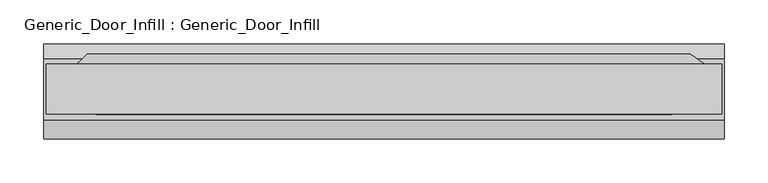
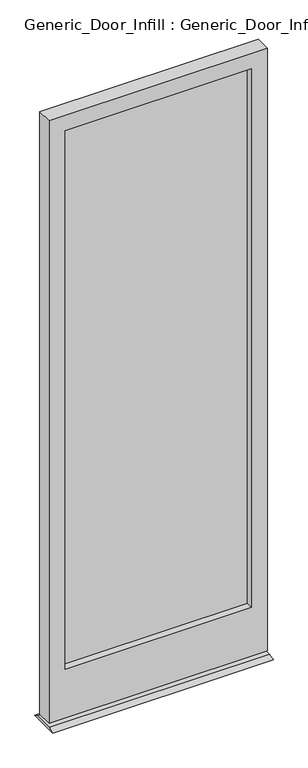
"""IFC4 building model written with IfcOpenShell, lengths in millimetres: plate geometry, Generic_Door_Infill : Generic_Door_Infill."""

import ifcopenshell
import ifcopenshell.guid

model = None  # the IFC model being written
_history = None  # IfcOwnerHistory: only IFC2X3 demands one
_inside = {}  # id of a spatial element -> (the spatial element, [elements in it])
_under = {}  # id of a project, library or spatial element -> (it, [spatial elements below it])
_declared = {}  # id of a project -> (the project, [libraries it declares])
_typed = {}  # id of a type object -> (the type object, [elements of that type])
_made_of = {}  # id of a material, layer set ... -> (it, [elements and type objects made of it])


def new_model(schema):
    """Start an empty IFC model of exactly this schema.

    Asked for "IFC4X3", IfcOpenShell would pick the latest addendum, in which some entities
    have other attributes; the version numbers below select the first issue.
    IFC2X3 requires an IfcOwnerHistory on every rooted entity: one is made here for all.
    """
    global model, _history
    if schema == "IFC4X3":
        model = ifcopenshell.file(schema_version=(4, 3, 0, 0))
    else:
        model = ifcopenshell.file(schema=schema)
    _inside.clear()
    _under.clear()
    _declared.clear()
    _typed.clear()
    _made_of.clear()
    _history = None
    if model.schema == "IFC2X3":
        org = make("IfcOrganization", Name="unknown")
        user = make(
            "IfcPersonAndOrganization",
            ThePerson=make("IfcPerson", FamilyName="unknown"),
            TheOrganization=org,
        )
        app = make(
            "IfcApplication",
            ApplicationDeveloper=org,
            Version="unknown",
            ApplicationFullName="unknown",
            ApplicationIdentifier="unknown",
        )
        _history = make(
            "IfcOwnerHistory",
            OwningUser=user,
            OwningApplication=app,
            ChangeAction="ADDED",
            CreationDate=0,
        )
    return model


def make(cls, **values):
    """One entity of the class cls with the attributes given. An attribute that is None is left unset."""
    return model.create_entity(
        cls, **{name: value for name, value in values.items() if value is not None}
    )


def rooted(cls, **values):
    """An entity with a GlobalId (a new one), such as an element, a storey or a relation."""
    return make(cls, GlobalId=ifcopenshell.guid.new(), OwnerHistory=_history, **values)


def si_unit(unit_type, name, prefix=None):
    """IfcSIUnit, for example si_unit("LENGTHUNIT", "METRE", prefix="MILLI")."""
    return make("IfcSIUnit", UnitType=unit_type, Prefix=prefix, Name=name)


def assignment(units):
    """IfcUnitAssignment: the units of a project."""
    return None if units is None else make("IfcUnitAssignment", Units=units)


def point(xyz):
    """IfcCartesianPoint."""
    return None if xyz is None else make("IfcCartesianPoint", Coordinates=xyz)


def direction(xyz):
    """IfcDirection."""
    return None if xyz is None else make("IfcDirection", DirectionRatios=xyz)


def frame(location, z_axis=None, x_axis=None):
    """IfcAxis2Placement3D, a coordinate frame: its origin and axes. An axis left out is left unset."""
    return make(
        "IfcAxis2Placement3D",
        Location=point(location),
        Axis=direction(z_axis),
        RefDirection=direction(x_axis),
    )


def origin():
    """The frame at (0, 0, 0) with its axes left unset."""
    return frame((0.0, 0.0, 0.0))


def place(relative_to, where):
    """IfcLocalPlacement: puts the frame where relative to a parent placement (None: the world)."""
    return make(
        "IfcLocalPlacement", PlacementRelTo=relative_to, RelativePlacement=where
    )


def context(
    kind, dimensions, precision=None, world=None, true_north=None, identifier=None
):
    """IfcGeometricRepresentationContext, for example the 3D "Model" context."""
    return make(
        "IfcGeometricRepresentationContext",
        ContextIdentifier=identifier,
        ContextType=kind,
        CoordinateSpaceDimension=dimensions,
        Precision=precision,
        WorldCoordinateSystem=world,
        TrueNorth=true_north,
    )


def project(units=None, contexts=None):
    """IfcProject with its units and contexts."""
    return rooted(
        "IfcProject",
        Name="project",
        RepresentationContexts=contexts,
        UnitsInContext=assignment(units),
    )


def spatial(cls, under=None, at=None, **own):
    """A site, building, storey or space (cls), placed at a placement, below another one or the project."""
    s = rooted(cls, ObjectPlacement=at, **own)
    if under is not None:
        _under.setdefault(under.id(), (under, []))[1].append(s)
    return s


def polyline(points):
    """IfcPolyline through the points."""
    return make("IfcPolyline", Points=[point(p) for p in points])


def outline(outer, holes=None, kind="AREA"):
    """IfcArbitraryClosedProfileDef: a profile drawn as a closed curve; with holes, ...WithVoids."""
    if holes is None:
        return make("IfcArbitraryClosedProfileDef", ProfileType=kind, OuterCurve=outer)
    return make(
        "IfcArbitraryProfileDefWithVoids",
        ProfileType=kind,
        OuterCurve=outer,
        InnerCurves=holes,
    )


def extrude(swept, where, along, depth):
    """IfcExtrudedAreaSolid: the profile swept, set in the frame where, extruded along a direction by depth."""
    return make(
        "IfcExtrudedAreaSolid",
        SweptArea=swept,
        Position=where,
        ExtrudedDirection=direction(along),
        Depth=depth,
    )


def shape(context_of_items, identifier, shape_type, items):
    """IfcShapeRepresentation: the items that make up one representation, for example the "Body"."""
    return make(
        "IfcShapeRepresentation",
        ContextOfItems=context_of_items,
        RepresentationIdentifier=identifier,
        RepresentationType=shape_type,
        Items=items,
    )


def source(mapping_origin, context_of_items, identifier, shape_type, items):
    """IfcRepresentationMap: a shape defined once, which mapped items show again and again."""
    return make(
        "IfcRepresentationMap",
        MappingOrigin=mapping_origin,
        MappedRepresentation=shape(context_of_items, identifier, shape_type, items),
    )


def transform(
    local_origin,
    x_axis=None,
    y_axis=None,
    z_axis=None,
    scale=None,
    scale2=None,
    scale3=None,
    uniform=True,
):
    """IfcCartesianTransformationOperator3D, or its non-uniform kind. x_axis, y_axis, z_axis: its Axis1, 2, 3."""
    if uniform:
        return make(
            "IfcCartesianTransformationOperator3D",
            Axis1=direction(x_axis),
            Axis2=direction(y_axis),
            LocalOrigin=point(local_origin),
            Scale=scale,
            Axis3=direction(z_axis),
        )
    return make(
        "IfcCartesianTransformationOperator3DnonUniform",
        Axis1=direction(x_axis),
        Axis2=direction(y_axis),
        LocalOrigin=point(local_origin),
        Scale=scale,
        Axis3=direction(z_axis),
        Scale2=scale2,
        Scale3=scale3,
    )


def mapped(mapping_source, mapping_target):
    """IfcMappedItem: shows the shape of a source again, moved by a transform."""
    return make(
        "IfcMappedItem", MappingSource=mapping_source, MappingTarget=mapping_target
    )


def made_of(thing, what):
    """Note that an element or type object is made of a material, layer set ...; save() writes the relation."""
    if what is not None:
        _made_of.setdefault(what.id(), (what, []))[1].append(thing)
    return thing


def element(
    cls,
    number,
    at=None,
    inside=None,
    cuts=None,
    type_object=None,
    material=None,
    context=None,
    identifier="Body",
    shape_type=None,
    held_by="IfcProductDefinitionShape",
    body=None,
    shapes=None,
    **own,
):
    """One element of the class cls, such as IfcWall. Its Tag is "e" and its number.

    at: its placement. inside: the storey or other place that contains it. cuts: it is an
    opening in that element (IfcRelVoidsElement). A single representation is given by context,
    identifier, shape_type and body (its items); several are given by shapes. held_by: the class
    of the entity that holds the representations. save() writes the other relations.
    """
    e = rooted(cls, Tag="e%d" % number, ObjectPlacement=at, **own)
    if body is not None:
        shapes = [shape(context, identifier, shape_type, body)]
    if shapes is not None:
        e.Representation = make(held_by, Representations=shapes)
    if inside is not None:
        _inside.setdefault(inside.id(), (inside, []))[1].append(e)
    if cuts is not None:
        rooted(
            "IfcRelVoidsElement", RelatingBuildingElement=cuts, RelatedOpeningElement=e
        )
    if type_object is not None:
        _typed.setdefault(type_object.id(), (type_object, []))[1].append(e)
    return made_of(e, material)


def aggregate(whole, parts):
    """IfcRelAggregates: a whole, such as a stair, and the parts it consists of."""
    return rooted("IfcRelAggregates", RelatingObject=whole, RelatedObjects=parts)


def save(model, path):
    """Write the relations noted so far, then the file.

    IfcRelAggregates (storeys below a building ...), IfcRelContainedInSpatialStructure (elements
    in a storey), IfcRelDefinesByType, IfcRelAssociatesMaterial and IfcRelDeclares: one each for
    every whole, place, type object, material and project.
    """
    for whole, parts in _under.values():
        aggregate(whole, parts)
    for where, things in _inside.values():
        rooted(
            "IfcRelContainedInSpatialStructure",
            RelatedElements=things,
            RelatingStructure=where,
        )
    for kind, things in _typed.values():
        rooted("IfcRelDefinesByType", RelatedObjects=things, RelatingType=kind)
    for what, things in _made_of.values():
        rooted("IfcRelAssociatesMaterial", RelatedObjects=things, RelatingMaterial=what)
    for by, libraries in _declared.values():
        rooted("IfcRelDeclares", RelatingContext=by, RelatedDefinitions=libraries)
    model.write(path)


def generic_door_infill_generic_door_infill_6ec2dc94(model_context):
    return source(origin(), model_context, "Body", "SweptSolid", [
        extrude(outline(polyline([(-340.0207378, 35.8230014), (350.4879623, 35.8230014), (376.1382321, 17.8624892), (-357.98125, 17.8624892), (-340.0207378, 35.8230014)])), frame((0.0, 0.0, 1090.3849987), z_axis=(0.0, 0.0, 1.0), x_axis=(1.0, 0.0, 0.0)), (0.0, 0.0, 1.0), 78.0150013),
        extrude(outline(polyline([(-329.40625, -7.5375108), (-329.40625, -1.1875108), (329.40625, -1.1875108), (329.40625, -7.5375108), (-329.40625, -7.5375108)])), frame((0.0, 0.0, 200.025), z_axis=(0.0, 0.0, 1.0), x_axis=(1.0, 0.0, 0.0)), (0.0, 0.0, 1.0), 2009.775),
        extrude(outline(polyline([(2266.95, 386.55625), (2266.95, -386.55625), (17.4625, -386.55625), (17.4625, 386.55625), (2266.95, 386.55625)]), holes=[polyline([(2209.8, 329.40625), (200.025, 329.40625), (200.025, -329.40625), (2209.8, -329.40625), (2209.8, 329.40625)])]), frame((0.0, -32.9375108, 0.0), z_axis=(0.0, 1.0, 0.0), x_axis=(0.0, 0.0, 1.0)), (0.0, 0.0, 1.0), 57.15),
        extrude(outline(polyline([(30.5624892, 8.0508779), (47.8276525, 0.0), (-61.407116, 0.0), (-39.2875108, 8.0508779), (30.5624892, 8.0508779)])), frame((-389.73125, 0.0, 0.0), z_axis=(1.0, 0.0, 0.0), x_axis=(0.0, 1.0, 0.0)), (0.0, 0.0, 1.0), 779.4625),
    ])


if __name__ == "__main__":
    model = new_model("IFC4")
    model_context = context("Model", 3, world=origin())
    ifc_project = project(units=[si_unit("LENGTHUNIT", "METRE", prefix="MILLI")], contexts=[model_context])
    site = spatial("IfcSite", under=ifc_project)
    building = spatial("IfcBuilding", under=site)
    placement = place(None, origin())
    generic_door_infill_generic_door_infill_shape = generic_door_infill_generic_door_infill_6ec2dc94(model_context)
    element("IfcPlate", 1, ObjectType="Generic_Door_Infill : Generic_Door_Infill", at=placement, inside=building, context=model_context, shape_type="MappedRepresentation", body=[
        mapped(generic_door_infill_generic_door_infill_shape, transform((0.0, 0.0, 0.0), x_axis=(1.0, 0.0, 0.0), y_axis=(0.0, 1.0, 0.0), z_axis=(0.0, 0.0, 1.0))),
    ])
    save(model, "model.ifc")
